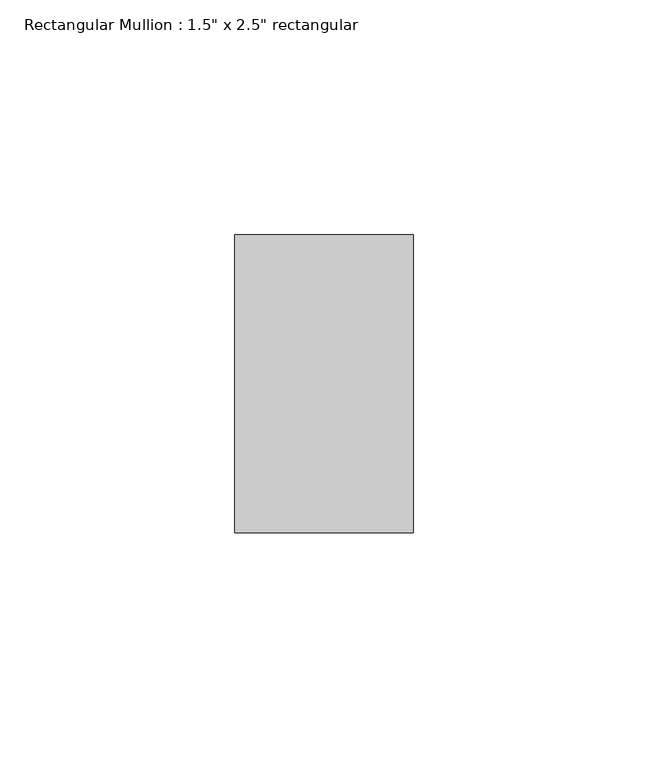
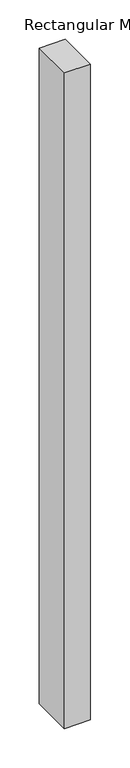
"""IFC4 building model written with IfcOpenShell, lengths in millimetres: member geometry."""

import ifcopenshell
import ifcopenshell.guid

model = None  # the IFC model being written
_history = None  # IfcOwnerHistory: only IFC2X3 demands one
_inside = {}  # id of a spatial element -> (the spatial element, [elements in it])
_under = {}  # id of a project, library or spatial element -> (it, [spatial elements below it])
_declared = {}  # id of a project -> (the project, [libraries it declares])
_typed = {}  # id of a type object -> (the type object, [elements of that type])
_made_of = {}  # id of a material, layer set ... -> (it, [elements and type objects made of it])


def new_model(schema):
    """Start an empty IFC model of exactly this schema.

    Asked for "IFC4X3", IfcOpenShell would pick the latest addendum, in which some entities
    have other attributes; the version numbers below select the first issue.
    IFC2X3 requires an IfcOwnerHistory on every rooted entity: one is made here for all.
    """
    global model, _history
    if schema == "IFC4X3":
        model = ifcopenshell.file(schema_version=(4, 3, 0, 0))
    else:
        model = ifcopenshell.file(schema=schema)
    _inside.clear()
    _under.clear()
    _declared.clear()
    _typed.clear()
    _made_of.clear()
    _history = None
    if model.schema == "IFC2X3":
        org = make("IfcOrganization", Name="unknown")
        user = make(
            "IfcPersonAndOrganization",
            ThePerson=make("IfcPerson", FamilyName="unknown"),
            TheOrganization=org,
        )
        app = make(
            "IfcApplication",
            ApplicationDeveloper=org,
            Version="unknown",
            ApplicationFullName="unknown",
            ApplicationIdentifier="unknown",
        )
        _history = make(
            "IfcOwnerHistory",
            OwningUser=user,
            OwningApplication=app,
            ChangeAction="ADDED",
            CreationDate=0,
        )
    return model


def make(cls, **values):
    """One entity of the class cls with the attributes given. An attribute that is None is left unset."""
    return model.create_entity(
        cls, **{name: value for name, value in values.items() if value is not None}
    )


def rooted(cls, **values):
    """An entity with a GlobalId (a new one), such as an element, a storey or a relation."""
    return make(cls, GlobalId=ifcopenshell.guid.new(), OwnerHistory=_history, **values)


def si_unit(unit_type, name, prefix=None):
    """IfcSIUnit, for example si_unit("LENGTHUNIT", "METRE", prefix="MILLI")."""
    return make("IfcSIUnit", UnitType=unit_type, Prefix=prefix, Name=name)


def assignment(units):
    """IfcUnitAssignment: the units of a project."""
    return None if units is None else make("IfcUnitAssignment", Units=units)


def point(xyz):
    """IfcCartesianPoint."""
    return None if xyz is None else make("IfcCartesianPoint", Coordinates=xyz)


def direction(xyz):
    """IfcDirection."""
    return None if xyz is None else make("IfcDirection", DirectionRatios=xyz)


def frame(location, z_axis=None, x_axis=None):
    """IfcAxis2Placement3D, a coordinate frame: its origin and axes. An axis left out is left unset."""
    return make(
        "IfcAxis2Placement3D",
        Location=point(location),
        Axis=direction(z_axis),
        RefDirection=direction(x_axis),
    )


def origin():
    """The frame at (0, 0, 0) with its axes left unset."""
    return frame((0.0, 0.0, 0.0))


def place(relative_to, where):
    """IfcLocalPlacement: puts the frame where relative to a parent placement (None: the world)."""
    return make(
        "IfcLocalPlacement", PlacementRelTo=relative_to, RelativePlacement=where
    )


def context(
    kind, dimensions, precision=None, world=None, true_north=None, identifier=None
):
    """IfcGeometricRepresentationContext, for example the 3D "Model" context."""
    return make(
        "IfcGeometricRepresentationContext",
        ContextIdentifier=identifier,
        ContextType=kind,
        CoordinateSpaceDimension=dimensions,
        Precision=precision,
        WorldCoordinateSystem=world,
        TrueNorth=true_north,
    )


def project(units=None, contexts=None):
    """IfcProject with its units and contexts."""
    return rooted(
        "IfcProject",
        Name="project",
        RepresentationContexts=contexts,
        UnitsInContext=assignment(units),
    )


def spatial(cls, under=None, at=None, **own):
    """A site, building, storey or space (cls), placed at a placement, below another one or the project."""
    s = rooted(cls, ObjectPlacement=at, **own)
    if under is not None:
        _under.setdefault(under.id(), (under, []))[1].append(s)
    return s


def polyline(points):
    """IfcPolyline through the points."""
    return make("IfcPolyline", Points=[point(p) for p in points])


def outline(outer, holes=None, kind="AREA"):
    """IfcArbitraryClosedProfileDef: a profile drawn as a closed curve; with holes, ...WithVoids."""
    if holes is None:
        return make("IfcArbitraryClosedProfileDef", ProfileType=kind, OuterCurve=outer)
    return make(
        "IfcArbitraryProfileDefWithVoids",
        ProfileType=kind,
        OuterCurve=outer,
        InnerCurves=holes,
    )


def extrude(swept, where, along, depth):
    """IfcExtrudedAreaSolid: the profile swept, set in the frame where, extruded along a direction by depth."""
    return make(
        "IfcExtrudedAreaSolid",
        SweptArea=swept,
        Position=where,
        ExtrudedDirection=direction(along),
        Depth=depth,
    )


def shape(context_of_items, identifier, shape_type, items):
    """IfcShapeRepresentation: the items that make up one representation, for example the "Body"."""
    return make(
        "IfcShapeRepresentation",
        ContextOfItems=context_of_items,
        RepresentationIdentifier=identifier,
        RepresentationType=shape_type,
        Items=items,
    )


def source(mapping_origin, context_of_items, identifier, shape_type, items):
    """IfcRepresentationMap: a shape defined once, which mapped items show again and again."""
    return make(
        "IfcRepresentationMap",
        MappingOrigin=mapping_origin,
        MappedRepresentation=shape(context_of_items, identifier, shape_type, items),
    )


def transform(
    local_origin,
    x_axis=None,
    y_axis=None,
    z_axis=None,
    scale=None,
    scale2=None,
    scale3=None,
    uniform=True,
):
    """IfcCartesianTransformationOperator3D, or its non-uniform kind. x_axis, y_axis, z_axis: its Axis1, 2, 3."""
    if uniform:
        return make(
            "IfcCartesianTransformationOperator3D",
            Axis1=direction(x_axis),
            Axis2=direction(y_axis),
            LocalOrigin=point(local_origin),
            Scale=scale,
            Axis3=direction(z_axis),
        )
    return make(
        "IfcCartesianTransformationOperator3DnonUniform",
        Axis1=direction(x_axis),
        Axis2=direction(y_axis),
        LocalOrigin=point(local_origin),
        Scale=scale,
        Axis3=direction(z_axis),
        Scale2=scale2,
        Scale3=scale3,
    )


def mapped(mapping_source, mapping_target):
    """IfcMappedItem: shows the shape of a source again, moved by a transform."""
    return make(
        "IfcMappedItem", MappingSource=mapping_source, MappingTarget=mapping_target
    )


def made_of(thing, what):
    """Note that an element or type object is made of a material, layer set ...; save() writes the relation."""
    if what is not None:
        _made_of.setdefault(what.id(), (what, []))[1].append(thing)
    return thing


def element(
    cls,
    number,
    at=None,
    inside=None,
    cuts=None,
    type_object=None,
    material=None,
    context=None,
    identifier="Body",
    shape_type=None,
    held_by="IfcProductDefinitionShape",
    body=None,
    shapes=None,
    **own,
):
    """One element of the class cls, such as IfcWall. Its Tag is "e" and its number.

    at: its placement. inside: the storey or other place that contains it. cuts: it is an
    opening in that element (IfcRelVoidsElement). A single representation is given by context,
    identifier, shape_type and body (its items); several are given by shapes. held_by: the class
    of the entity that holds the representations. save() writes the other relations.
    """
    e = rooted(cls, Tag="e%d" % number, ObjectPlacement=at, **own)
    if body is not None:
        shapes = [shape(context, identifier, shape_type, body)]
    if shapes is not None:
        e.Representation = make(held_by, Representations=shapes)
    if inside is not None:
        _inside.setdefault(inside.id(), (inside, []))[1].append(e)
    if cuts is not None:
        rooted(
            "IfcRelVoidsElement", RelatingBuildingElement=cuts, RelatedOpeningElement=e
        )
    if type_object is not None:
        _typed.setdefault(type_object.id(), (type_object, []))[1].append(e)
    return made_of(e, material)


def aggregate(whole, parts):
    """IfcRelAggregates: a whole, such as a stair, and the parts it consists of."""
    return rooted("IfcRelAggregates", RelatingObject=whole, RelatedObjects=parts)


def save(model, path):
    """Write the relations noted so far, then the file.

    IfcRelAggregates (storeys below a building ...), IfcRelContainedInSpatialStructure (elements
    in a storey), IfcRelDefinesByType, IfcRelAssociatesMaterial and IfcRelDeclares: one each for
    every whole, place, type object, material and project.
    """
    for whole, parts in _under.values():
        aggregate(whole, parts)
    for where, things in _inside.values():
        rooted(
            "IfcRelContainedInSpatialStructure",
            RelatedElements=things,
            RelatingStructure=where,
        )
    for kind, things in _typed.values():
        rooted("IfcRelDefinesByType", RelatedObjects=things, RelatingType=kind)
    for what, things in _made_of.values():
        rooted("IfcRelAssociatesMaterial", RelatedObjects=things, RelatingMaterial=what)
    for by, libraries in _declared.values():
        rooted("IfcRelDeclares", RelatingContext=by, RelatedDefinitions=libraries)
    model.write(path)


def member_bc852910(model_context):
    return source(origin(), model_context, "Body", "SweptSolid", [
        extrude(outline(polyline([(0.0, 31.75), (0.0, -31.75), (-38.1, -31.75), (-38.1, 31.75), (0.0, 31.75)])), frame((0.0, 0.0, -1016.0), z_axis=(0.0, 0.0, 1.0), x_axis=(1.0, 0.0, 0.0)), (0.0, 0.0, 1.0), 1016.0),
    ])


if __name__ == "__main__":
    model = new_model("IFC4")
    model_context = context("Model", 3, world=origin())
    ifc_project = project(units=[si_unit("LENGTHUNIT", "METRE", prefix="MILLI")], contexts=[model_context])
    site = spatial("IfcSite", under=ifc_project)
    building = spatial("IfcBuilding", under=site)
    placement = place(None, origin())
    member_shape = member_bc852910(model_context)
    element("IfcMember", 1, ObjectType="Rectangular Mullion : 1.5\" x 2.5\" rectangular", at=placement, inside=building, context=model_context, shape_type="MappedRepresentation", body=[
        mapped(member_shape, transform((0.0, 0.0, 0.0), x_axis=(1.0, 0.0, 0.0), y_axis=(0.0, 1.0, 0.0), z_axis=(0.0, 0.0, 1.0))),
    ])
    save(model, "model.ifc")
